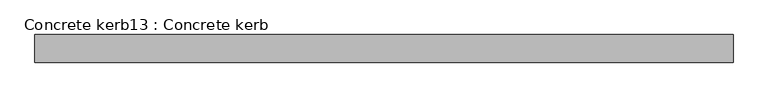
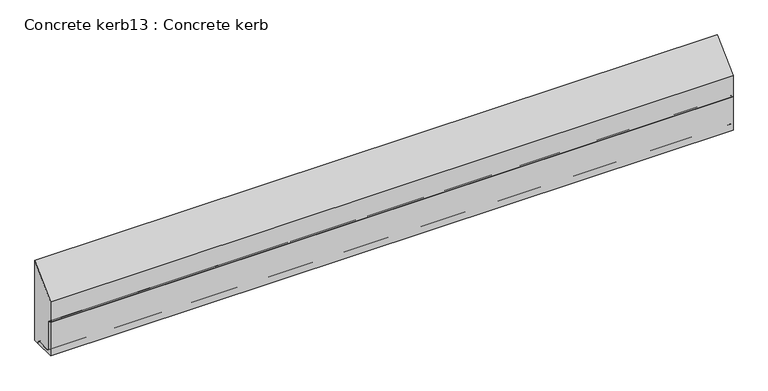
"""IFC4 building model written with IfcOpenShell, lengths in millimetres: proxy geometry, Concrete kerb13 : Concrete kerb."""

from ifc_helpers import new_model, si_unit, point, frame, frame_2d, origin, place, context, project, spatial, polyline, circle_curve, trimmed, segment, composite_curve, outline, extrude, source, transform, mapped, element, save


def concrete_kerb13_concrete_kerb_19c77eab(model_context):
    return source(origin(), model_context, "Body", "SweptSolid", [
        extrude(outline(composite_curve([segment(polyline([(-25887.7541708, 400.0), (-25884.3990749, 400.0)]), True, "CONTINUOUS"), segment(trimmed(circle_curve(frame_2d((-25884.3990749, 391.355096)), 8.644904), [point((-25884.3990749, 400.0))], [point((-25875.7541708, 391.355096))], False, "CARTESIAN"), True, "CONTINUOUS"), segment(polyline([(-25875.7541708, 391.355096), (-25875.7541708, 293.5612899)]), True, "CONTINUOUS"), segment(trimmed(circle_curve(frame_2d((-25869.192881, 293.5612899)), 6.5612899), [point((-25875.7541708, 293.5612899))], [point((-25869.192881, 287.0))], True, "CARTESIAN"), True, "CONTINUOUS"), segment(polyline([(-25869.192881, 287.0), (-25821.8214289, 287.0)]), True, "CONTINUOUS"), segment(trimmed(circle_curve(frame_2d((-25822.1798224, 277.4399527)), 9.5667628), [point((-25821.8214289, 287.0))], [point((-25812.7541708, 279.0770366))], False, "CARTESIAN"), True, "CONTINUOUS"), segment(polyline([(-25812.7541708, 279.0770366), (-25812.7541708, 275.0), (-25887.7541708, 275.0), (-25887.7541708, 400.0)]), True, "CONTINUOUS")], self_intersect=False)), frame((-2635.3690716, 0.0, 0.0), z_axis=(1.0, 0.0, 0.0), x_axis=(0.0, 1.0, 0.0)), (0.0, 0.0, 1.0), 2400.0),
        extrude(outline(composite_curve([segment(polyline([(-25792.7541708, 572.0), (-25792.7541708, 275.0), (-25812.7541708, 275.0), (-25812.7541708, 279.0770366)]), True, "CONTINUOUS"), segment(trimmed(circle_curve(frame_2d((-25821.8214289, 277.8501081)), 9.1498919), [point((-25812.7541708, 279.0770366))], [point((-25821.8214289, 287.0))], True, "CARTESIAN"), True, "CONTINUOUS"), segment(polyline([(-25821.8214289, 287.0), (-25869.192881, 287.0)]), True, "CONTINUOUS"), segment(trimmed(circle_curve(frame_2d((-25869.192881, 293.5612899)), 6.5612899), [point((-25869.192881, 287.0))], [point((-25875.7541708, 293.5612899))], False, "CARTESIAN"), True, "CONTINUOUS"), segment(polyline([(-25875.7541708, 293.5612899), (-25875.7541708, 391.355096)]), True, "CONTINUOUS"), segment(trimmed(circle_curve(frame_2d((-25884.3990749, 391.355096)), 8.644904), [point((-25875.7541708, 391.355096))], [point((-25884.3990749, 400.0))], True, "CARTESIAN"), True, "CONTINUOUS"), segment(polyline([(-25884.3990749, 400.0), (-25887.7541708, 400.0), (-25887.7541708, 477.0), (-25792.7541708, 572.0)]), True, "CONTINUOUS")], self_intersect=False)), frame((-2635.3690716, 0.0, 0.0), z_axis=(1.0, 0.0, 0.0), x_axis=(0.0, 1.0, 0.0)), (0.0, 0.0, 1.0), 2400.0),
    ])


if __name__ == "__main__":
    model = new_model("IFC4")
    model_context = context("Model", 3, world=origin())
    ifc_project = project(units=[si_unit("LENGTHUNIT", "METRE", prefix="MILLI")], contexts=[model_context])
    site = spatial("IfcSite", under=ifc_project)
    building = spatial("IfcBuilding", under=site)
    placement = place(None, origin())
    concrete_kerb13_concrete_kerb_shape = concrete_kerb13_concrete_kerb_19c77eab(model_context)
    element("IfcBuildingElementProxy", 1, Name="Concrete kerb13 : Concrete kerb", ObjectType="Concrete kerb13 : Concrete kerb", at=placement, inside=building, context=model_context, shape_type="MappedRepresentation", body=[
        mapped(concrete_kerb13_concrete_kerb_shape, transform((0.0, 0.0, 0.0), x_axis=(1.0, 0.0, 0.0), y_axis=(0.0, 1.0, 0.0), z_axis=(0.0, 0.0, 1.0))),
    ])
    save(model, "model.ifc")
